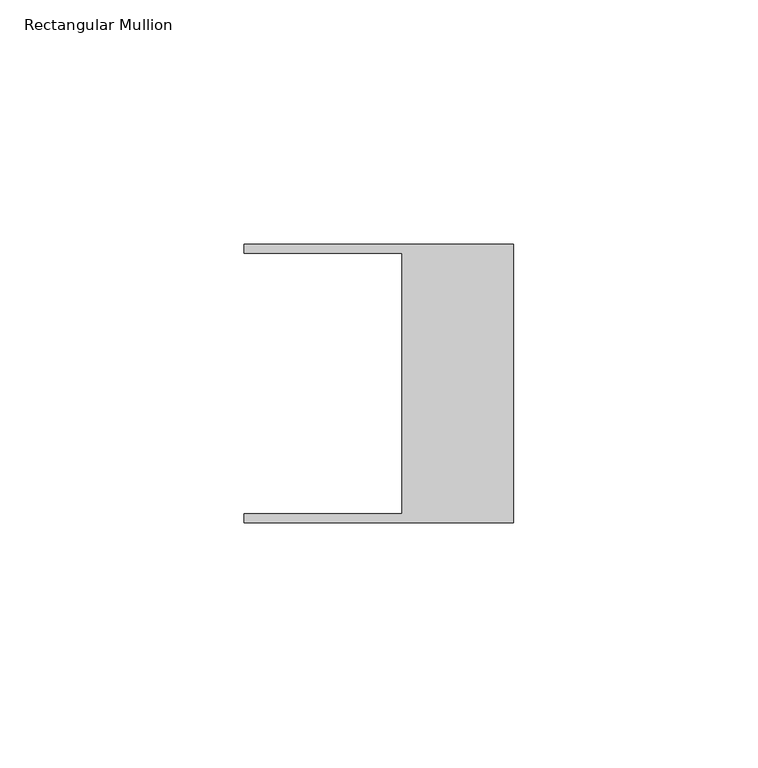
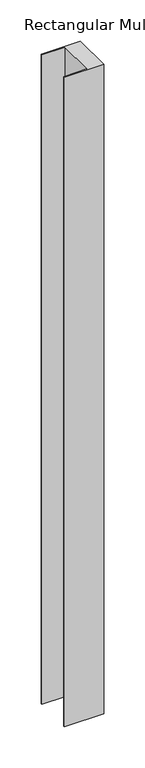
"""IFC4 building model written with IfcOpenShell, lengths in millimetres: member geometry, Rectangular Mullion."""

from ifc_helpers import new_model, si_unit, frame, origin, place, context, project, spatial, polyline, outline, extrude, source, transform, mapped, element, save


def rectangular_mullion_ffe0cbb7(model_context):
    return source(origin(), model_context, "Body", "SweptSolid", [
        extrude(outline(polyline([(-55.118, 26.67), (-55.118, 28.448), (0.0, 28.448), (0.0, -28.448), (-55.118, -28.448), (-55.118, -26.67), (-22.86, -26.67), (-22.86, 26.67), (-55.118, 26.67)])), frame((0.0, 0.0, -965.1999516), z_axis=(0.0, 0.0, 1.0), x_axis=(1.0, 0.0, 0.0)), (0.0, 0.0, 1.0), 965.1999516),
    ])


if __name__ == "__main__":
    model = new_model("IFC4")
    model_context = context("Model", 3, world=origin())
    ifc_project = project(units=[si_unit("LENGTHUNIT", "METRE", prefix="MILLI")], contexts=[model_context])
    site = spatial("IfcSite", under=ifc_project)
    building = spatial("IfcBuilding", under=site)
    placement = place(None, origin())
    rectangular_mullion_shape = rectangular_mullion_ffe0cbb7(model_context)
    element("IfcMember", 1, ObjectType="Rectangular Mullion", at=placement, inside=building, context=model_context, shape_type="MappedRepresentation", body=[
        mapped(rectangular_mullion_shape, transform((0.0, 0.0, 0.0), x_axis=(1.0, 0.0, 0.0), y_axis=(0.0, 1.0, 0.0), z_axis=(0.0, 0.0, 1.0))),
    ])
    save(model, "model.ifc")
